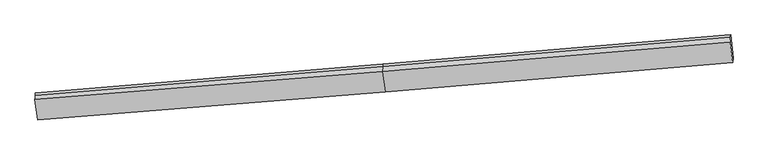
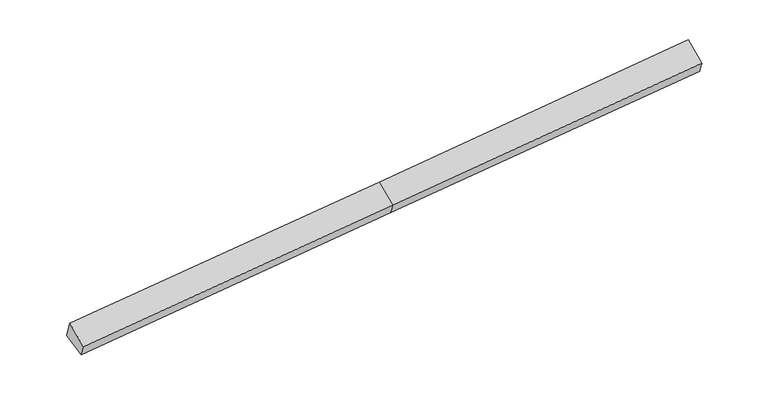
"""IFC4 building model written with IfcOpenShell, lengths in millimetres: proxy geometry."""

from ifc_helpers import new_model, si_unit, frame, origin, place, context, project, spatial, source, transform, mapped, element, save
from ifc_brep_helpers import plane_surface, spline_surface, advanced_brep


def generic_models_856385b9(model_context):
    return source(origin(), model_context, "Body", "AdvancedBrep", [
        advanced_brep(
        [(-10583.217014, -2235.0491912, 1226.6978999), (-10589.0785448, -2302.7531519, 1413.7885552), (-622.6512297, -1472.7212422, 2031.7254648), (-616.6509232, -1403.4143457, 1840.2053151), (-10513.5666707, -2885.6257211, 984.9214133), (-547.0005799, -2053.9908756, 1598.4288285), (-10524.3489126, -3010.1666482, 1329.0732684), (-555.2863587, -2201.8502853, 1933.9147381), (-10599.8576591, -2427.2579524, 1757.8405793), (-630.7951052, -1618.9415894, 2362.682049), (9420.5488449, -1362.8309502, 2550.0791191), (9430.4797389, -1227.261957, 2204.6940643), (9359.3315178, -562.6943376, 2451.6701183), (9353.6256859, -628.599888, 2633.7911122), (9345.0400985, -779.9222544, 2978.8464301)],
        [
            (0, 1),
            (1, 2),
            (2, 3),
            (3, 0),
            (4, 0),
            (0, 5),
            (5, 4),
            (6, 4),
            (5, 7),
            (7, 6),
            (8, 6),
            (7, 9),
            (9, 8),
            (1, 8),
            (9, 2),
            (10, 11),
            (11, 12),
            (12, 13),
            (13, 14),
            (14, 10),
            (3, 5),
            (5, 11),
            (10, 7),
            (3, 12),
            (2, 13),
            (9, 14),
        ],
        [
            plane_surface(frame((-10586.1477794, -2268.9011716, 1320.2432276), z_axis=(-0.09883646892733289, 0.9367060621817173, 0.3358766224106664), x_axis=(-0.029447457666287234, -0.3401346113020528, 0.9399155778214305))),
            plane_surface(frame((-10548.3918423, -2560.3374562, 1105.8096566), z_axis=(0.028338086915886785, 0.3508802870313886, -0.9359914406674446), x_axis=(-0.09985192938422931, 0.9326776959314121, 0.3466149271314197))),
            spline_surface(1, 1, [[(-10524.3489126, -3010.1666482, 1329.0732684), (-555.2863587, -2201.8502853, 1933.9147381)], [(-10513.5666707, -2885.6257211, 984.9214133), (-547.0005799, -2053.9908756, 1598.4288285)]], [2, 2], [2, 2], [0.0, 1.0], [0.0, 1.0]),
            plane_surface(frame((-10562.1032859, -2718.7123003, 1543.4569239), z_axis=(-0.0008213572389907803, -0.5926009823466377, 0.8054957486505351), x_axis=(0.10378529924698847, -0.801196633051635, -0.5893323059589868))),
            spline_surface(1, 1, [[(-10589.0785448, -2302.7531519, 1413.7885552), (-622.6512297, -1472.7212422, 2031.7254648)], [(-10599.8576591, -2427.2579524, 1757.8405793), (-630.7951052, -1618.9415894, 2362.682049)]], [2, 2], [2, 2], [0.0, 1.0], [0.0, 1.0]),
            plane_surface(frame((9381.8051772, -912.2618775, 2563.8161688), z_axis=(0.994599721204054, 0.08365098056434668, 0.06143214168040623), x_axis=(0.02675552778160012, 0.36524606577142216, -0.9305264387278989))),
            plane_surface(frame((-10555.2475641, -2639.5248782, 1324.6332902), z_axis=(-0.9945997212040539, -0.08365098056434875, -0.06143214168040674), x_axis=(0.02944745766628713, 0.34013461130205097, -0.9399155778214313))),
            plane_surface(frame((-10583.217014, -2235.0491912, 1226.6978999), z_axis=(0.028338086915886622, 0.350880287031394, -0.9359914406674424), x_axis=(-0.09985192938422612, 0.9326776959314104, 0.3466149271314253))),
            spline_surface(1, 1, [[(-555.2863587, -2201.8502853, 1933.9147381), (9420.5488449, -1362.8309502, 2550.0791191)], [(-547.0005799, -2053.9908756, 1598.4288285), (9430.4797389, -1227.261957, 2204.6940643)]], [2, 2], [2, 2], [0.0, 1.0], [0.0, 1.0]),
            plane_surface(frame((-581.8257516, -1728.7026107, 1719.3170718), z_axis=(0.02780592669583104, 0.35083548654149205, -0.9360241940376225), x_axis=(-0.0998519293842273, 0.9326776959314111, 0.3466149271314228))),
            plane_surface(frame((-619.6510764, -1438.067794, 1935.9653899), z_axis=(-0.09952005736438768, 0.9366487920480256, 0.33583448086395684), x_axis=(-0.029447457666288115, -0.3401346113020509, 0.9399155778214312))),
            spline_surface(1, 1, [[(-622.6512297, -1472.7212422, 2031.7254648), (9353.6256859, -628.599888, 2633.7911122)], [(-630.7951052, -1618.9415894, 2362.682049), (9345.0400985, -779.9222544, 2978.8464301)]], [2, 2], [2, 2], [0.0, 1.0], [0.0, 1.0]),
            plane_surface(frame((-593.040732, -1910.3959374, 2148.2983935), z_axis=(7.900019622560789e-05, -0.5925255004110347, 0.8055516899129578), x_axis=(0.1037852992469903, -0.8011966330516349, -0.5893323059589867))),
        ],
        [
            (0, [[1, 2, 3, 4]]),
            (1, [[5, 6, 7]]),
            (2, [[8, -7, 9, 10]]),
            (3, [[11, -10, 12, 13]]),
            (4, [[14, -13, 15, -2]]),
            (5, [[16, 17, 18, 19, 20]]),
            (6, [[-1, -5, -8, -11, -14]]),
            (7, [[21, -6, -4]]),
            (8, [[-9, 22, -16, 23]]),
            (9, [[-21, 24, -17, -22]]),
            (10, [[-3, 25, -18, -24]]),
            (11, [[-15, 26, -19, -25]]),
            (12, [[-12, -23, -20, -26]]),
        ],
    ),
    ])


if __name__ == "__main__":
    model = new_model("IFC4")
    model_context = context("Model", 3, world=origin())
    ifc_project = project(units=[si_unit("LENGTHUNIT", "METRE", prefix="MILLI")], contexts=[model_context])
    site = spatial("IfcSite", under=ifc_project)
    building = spatial("IfcBuilding", under=site)
    placement = place(None, origin())
    generic_models_shape = generic_models_856385b9(model_context)
    element("IfcBuildingElementProxy", 1, Name="Generic Models", at=placement, inside=building, context=model_context, shape_type="MappedRepresentation", body=[
        mapped(generic_models_shape, transform((0.0, 0.0, 0.0), x_axis=(1.0, 0.0, 0.0), y_axis=(0.0, 1.0, 0.0), z_axis=(0.0, 0.0, 1.0))),
    ])
    save(model, "model.ifc")
